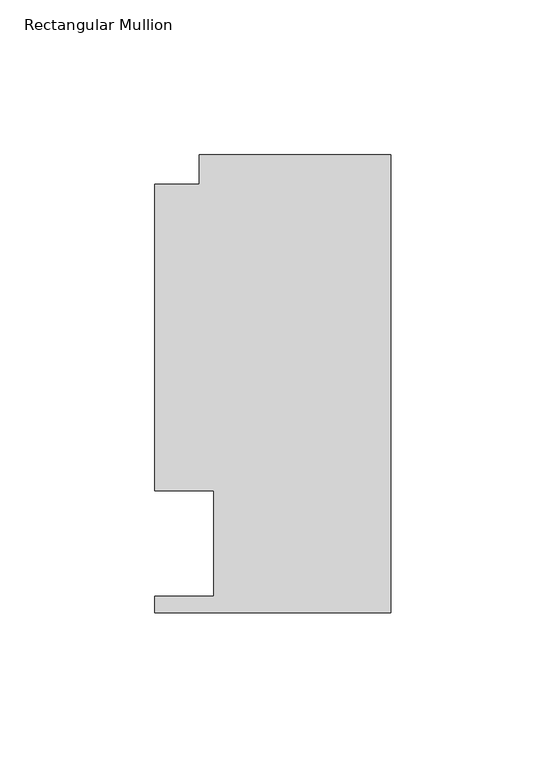
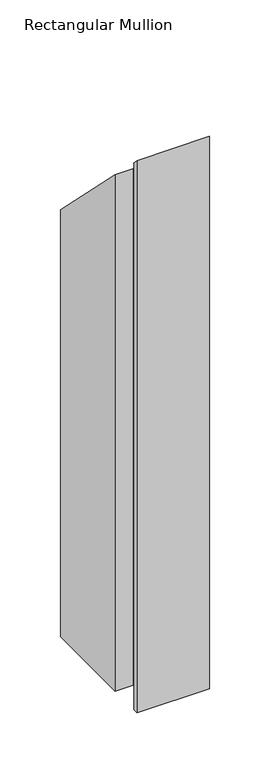
"""IFC4 building model written with IfcOpenShell, lengths in millimetres: member geometry, Rectangular Mullion."""

import ifcopenshell
import ifcopenshell.guid

model = None  # the IFC model being written
_history = None  # IfcOwnerHistory: only IFC2X3 demands one
_inside = {}  # id of a spatial element -> (the spatial element, [elements in it])
_under = {}  # id of a project, library or spatial element -> (it, [spatial elements below it])
_declared = {}  # id of a project -> (the project, [libraries it declares])
_typed = {}  # id of a type object -> (the type object, [elements of that type])
_made_of = {}  # id of a material, layer set ... -> (it, [elements and type objects made of it])


def new_model(schema):
    """Start an empty IFC model of exactly this schema.

    Asked for "IFC4X3", IfcOpenShell would pick the latest addendum, in which some entities
    have other attributes; the version numbers below select the first issue.
    IFC2X3 requires an IfcOwnerHistory on every rooted entity: one is made here for all.
    """
    global model, _history
    if schema == "IFC4X3":
        model = ifcopenshell.file(schema_version=(4, 3, 0, 0))
    else:
        model = ifcopenshell.file(schema=schema)
    _inside.clear()
    _under.clear()
    _declared.clear()
    _typed.clear()
    _made_of.clear()
    _history = None
    if model.schema == "IFC2X3":
        org = make("IfcOrganization", Name="unknown")
        user = make(
            "IfcPersonAndOrganization",
            ThePerson=make("IfcPerson", FamilyName="unknown"),
            TheOrganization=org,
        )
        app = make(
            "IfcApplication",
            ApplicationDeveloper=org,
            Version="unknown",
            ApplicationFullName="unknown",
            ApplicationIdentifier="unknown",
        )
        _history = make(
            "IfcOwnerHistory",
            OwningUser=user,
            OwningApplication=app,
            ChangeAction="ADDED",
            CreationDate=0,
        )
    return model


def make(cls, **values):
    """One entity of the class cls with the attributes given. An attribute that is None is left unset."""
    return model.create_entity(
        cls, **{name: value for name, value in values.items() if value is not None}
    )


def rooted(cls, **values):
    """An entity with a GlobalId (a new one), such as an element, a storey or a relation."""
    return make(cls, GlobalId=ifcopenshell.guid.new(), OwnerHistory=_history, **values)


def si_unit(unit_type, name, prefix=None):
    """IfcSIUnit, for example si_unit("LENGTHUNIT", "METRE", prefix="MILLI")."""
    return make("IfcSIUnit", UnitType=unit_type, Prefix=prefix, Name=name)


def assignment(units):
    """IfcUnitAssignment: the units of a project."""
    return None if units is None else make("IfcUnitAssignment", Units=units)


def point(xyz):
    """IfcCartesianPoint."""
    return None if xyz is None else make("IfcCartesianPoint", Coordinates=xyz)


def direction(xyz):
    """IfcDirection."""
    return None if xyz is None else make("IfcDirection", DirectionRatios=xyz)


def frame(location, z_axis=None, x_axis=None):
    """IfcAxis2Placement3D, a coordinate frame: its origin and axes. An axis left out is left unset."""
    return make(
        "IfcAxis2Placement3D",
        Location=point(location),
        Axis=direction(z_axis),
        RefDirection=direction(x_axis),
    )


def origin():
    """The frame at (0, 0, 0) with its axes left unset."""
    return frame((0.0, 0.0, 0.0))


def place(relative_to, where):
    """IfcLocalPlacement: puts the frame where relative to a parent placement (None: the world)."""
    return make(
        "IfcLocalPlacement", PlacementRelTo=relative_to, RelativePlacement=where
    )


def context(
    kind, dimensions, precision=None, world=None, true_north=None, identifier=None
):
    """IfcGeometricRepresentationContext, for example the 3D "Model" context."""
    return make(
        "IfcGeometricRepresentationContext",
        ContextIdentifier=identifier,
        ContextType=kind,
        CoordinateSpaceDimension=dimensions,
        Precision=precision,
        WorldCoordinateSystem=world,
        TrueNorth=true_north,
    )


def project(units=None, contexts=None):
    """IfcProject with its units and contexts."""
    return rooted(
        "IfcProject",
        Name="project",
        RepresentationContexts=contexts,
        UnitsInContext=assignment(units),
    )


def spatial(cls, under=None, at=None, **own):
    """A site, building, storey or space (cls), placed at a placement, below another one or the project."""
    s = rooted(cls, ObjectPlacement=at, **own)
    if under is not None:
        _under.setdefault(under.id(), (under, []))[1].append(s)
    return s


def faces_of(points, faces, orient=None, outer=None):
    """IfcFace entities. A face is a list of loops; a loop is a list of indices into points, from 0.

    orient and outer hold one flag for each loop. By default every Orientation is true, the
    first loop of a face is its IfcFaceOuterBound and the others are IfcFaceBound.
    """
    made = []
    for i, loops in enumerate(faces):
        bounds = []
        for j, loop in enumerate(loops):
            is_outer = j == 0 if outer is None else outer[i][j]
            bounds.append(
                make(
                    "IfcFaceOuterBound" if is_outer else "IfcFaceBound",
                    Bound=make("IfcPolyLoop", Polygon=[points[k] for k in loop]),
                    Orientation=True if orient is None else orient[i][j],
                )
            )
        made.append(make("IfcFace", Bounds=bounds))
    return made


def faceted_brep(points, faces, orient=None, outer=None, voids=None):
    """IfcFacetedBrep: a solid bounded by flat faces; with voids (closed shells), ...WithVoids."""
    shared = [point(p) for p in points]
    hull = make("IfcClosedShell", CfsFaces=faces_of(shared, faces, orient, outer))
    if voids is None:
        return make("IfcFacetedBrep", Outer=hull)
    return make(
        "IfcFacetedBrepWithVoids",
        Outer=hull,
        Voids=[
            make(cls, CfsFaces=faces_of(shared, fs, o, b)) for cls, fs, o, b in voids
        ],
    )


def shape(context_of_items, identifier, shape_type, items):
    """IfcShapeRepresentation: the items that make up one representation, for example the "Body"."""
    return make(
        "IfcShapeRepresentation",
        ContextOfItems=context_of_items,
        RepresentationIdentifier=identifier,
        RepresentationType=shape_type,
        Items=items,
    )


def source(mapping_origin, context_of_items, identifier, shape_type, items):
    """IfcRepresentationMap: a shape defined once, which mapped items show again and again."""
    return make(
        "IfcRepresentationMap",
        MappingOrigin=mapping_origin,
        MappedRepresentation=shape(context_of_items, identifier, shape_type, items),
    )


def transform(
    local_origin,
    x_axis=None,
    y_axis=None,
    z_axis=None,
    scale=None,
    scale2=None,
    scale3=None,
    uniform=True,
):
    """IfcCartesianTransformationOperator3D, or its non-uniform kind. x_axis, y_axis, z_axis: its Axis1, 2, 3."""
    if uniform:
        return make(
            "IfcCartesianTransformationOperator3D",
            Axis1=direction(x_axis),
            Axis2=direction(y_axis),
            LocalOrigin=point(local_origin),
            Scale=scale,
            Axis3=direction(z_axis),
        )
    return make(
        "IfcCartesianTransformationOperator3DnonUniform",
        Axis1=direction(x_axis),
        Axis2=direction(y_axis),
        LocalOrigin=point(local_origin),
        Scale=scale,
        Axis3=direction(z_axis),
        Scale2=scale2,
        Scale3=scale3,
    )


def mapped(mapping_source, mapping_target):
    """IfcMappedItem: shows the shape of a source again, moved by a transform."""
    return make(
        "IfcMappedItem", MappingSource=mapping_source, MappingTarget=mapping_target
    )


def made_of(thing, what):
    """Note that an element or type object is made of a material, layer set ...; save() writes the relation."""
    if what is not None:
        _made_of.setdefault(what.id(), (what, []))[1].append(thing)
    return thing


def element(
    cls,
    number,
    at=None,
    inside=None,
    cuts=None,
    type_object=None,
    material=None,
    context=None,
    identifier="Body",
    shape_type=None,
    held_by="IfcProductDefinitionShape",
    body=None,
    shapes=None,
    **own,
):
    """One element of the class cls, such as IfcWall. Its Tag is "e" and its number.

    at: its placement. inside: the storey or other place that contains it. cuts: it is an
    opening in that element (IfcRelVoidsElement). A single representation is given by context,
    identifier, shape_type and body (its items); several are given by shapes. held_by: the class
    of the entity that holds the representations. save() writes the other relations.
    """
    e = rooted(cls, Tag="e%d" % number, ObjectPlacement=at, **own)
    if body is not None:
        shapes = [shape(context, identifier, shape_type, body)]
    if shapes is not None:
        e.Representation = make(held_by, Representations=shapes)
    if inside is not None:
        _inside.setdefault(inside.id(), (inside, []))[1].append(e)
    if cuts is not None:
        rooted(
            "IfcRelVoidsElement", RelatingBuildingElement=cuts, RelatedOpeningElement=e
        )
    if type_object is not None:
        _typed.setdefault(type_object.id(), (type_object, []))[1].append(e)
    return made_of(e, material)


def aggregate(whole, parts):
    """IfcRelAggregates: a whole, such as a stair, and the parts it consists of."""
    return rooted("IfcRelAggregates", RelatingObject=whole, RelatedObjects=parts)


def save(model, path):
    """Write the relations noted so far, then the file.

    IfcRelAggregates (storeys below a building ...), IfcRelContainedInSpatialStructure (elements
    in a storey), IfcRelDefinesByType, IfcRelAssociatesMaterial and IfcRelDeclares: one each for
    every whole, place, type object, material and project.
    """
    for whole, parts in _under.values():
        aggregate(whole, parts)
    for where, things in _inside.values():
        rooted(
            "IfcRelContainedInSpatialStructure",
            RelatedElements=things,
            RelatingStructure=where,
        )
    for kind, things in _typed.values():
        rooted("IfcRelDefinesByType", RelatedObjects=things, RelatingType=kind)
    for what, things in _made_of.values():
        rooted("IfcRelAssociatesMaterial", RelatedObjects=things, RelatingMaterial=what)
    for by, libraries in _declared.values():
        rooted("IfcRelDeclares", RelatingContext=by, RelatedDefinitions=libraries)
    model.write(path)


def rectangular_mullion_a0938676(model_context):
    return source(origin(), model_context, "Body", "Brep", [
        faceted_brep([(-61.9124999, 147.847839, -609.6), (0.0, 147.847839, -609.6), (0.0, 0.019839, -609.6), (-76.2, 0.019839, -609.6), (-76.2, 5.353839, -609.6), (-57.1499999, 5.353839, -609.6), (-57.1499999, 39.3898438, -609.6), (-76.1999999, 39.3898438, -609.6), (-76.1999999, 138.322839, -609.6), (-61.9124999, 138.322839, -609.6), (-61.9124999, 138.322839, -138.322839), (-61.9124999, 147.847839, -147.847839), (-76.1999999, 138.322839, -138.322839), (-76.1999999, 39.3898438, -39.3898437), (-57.1499999, 39.3898438, -39.3898437), (-57.1499999, 5.353839, -5.353839), (-76.2, 5.353839, -5.353839), (-76.2, 0.019839, -0.019839), (0.0, 0.019839, -0.019839), (0.0, 147.847839, -147.847839)], [[[0, 1, 2, 3, 4, 5, 6, 7, 8, 9]], [[10, 11, 0, 9]], [[12, 10, 9, 8]], [[13, 12, 8, 7]], [[14, 13, 7, 6]], [[15, 14, 6, 5]], [[16, 15, 5, 4]], [[17, 16, 4, 3]], [[18, 17, 3, 2]], [[19, 18, 2, 1]], [[11, 19, 1, 0]], [[11, 10, 12, 13, 14, 15, 16, 17, 18, 19]]]),
    ])


if __name__ == "__main__":
    model = new_model("IFC4")
    model_context = context("Model", 3, world=origin())
    ifc_project = project(units=[si_unit("LENGTHUNIT", "METRE", prefix="MILLI")], contexts=[model_context])
    site = spatial("IfcSite", under=ifc_project)
    building = spatial("IfcBuilding", under=site)
    placement = place(None, origin())
    rectangular_mullion_shape = rectangular_mullion_a0938676(model_context)
    element("IfcMember", 1, ObjectType="Rectangular Mullion", at=placement, inside=building, context=model_context, shape_type="MappedRepresentation", body=[
        mapped(rectangular_mullion_shape, transform((0.0, 0.0, 0.0), x_axis=(1.0, 0.0, 0.0), y_axis=(0.0, 1.0, 0.0), z_axis=(0.0, 0.0, 1.0))),
    ])
    save(model, "model.ifc")
